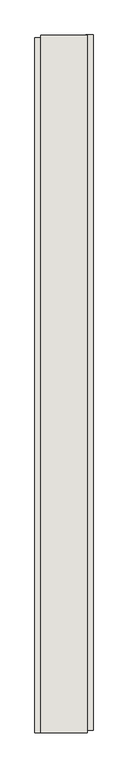
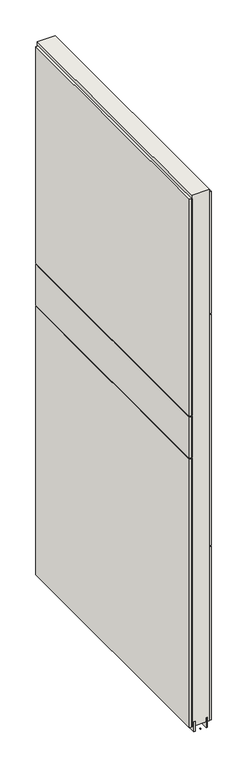
"""IFC4 building model written with IfcOpenShell, lengths in millimetres: wall geometry."""

from ifc_helpers import new_model, si_unit, frame, origin, place, context, project, spatial, polyline, outline, extrude, source, transform, mapped, element, save


def wall_bf27fd32(model_context):
    return source(origin(), model_context, "Body", "SweptSolid", [
        extrude(outline(polyline([(48696.282211, -55781.7684718), (48696.282211, -55784.3084718), (48693.742211, -55784.3084718), (48693.742211, -55781.7684718), (48696.282211, -55781.7684718)])), frame((0.0, 0.0, 4419.6), z_axis=(0.0, 0.0, 1.0), x_axis=(1.0, 0.0, 0.0)), (0.0, 0.0, 1.0), 2.54),
        extrude(outline(polyline([(48644.212211, -55784.77159), (48644.212211, -54569.571582), (48656.912211, -54569.571582), (48656.912211, -55784.77159), (48644.212211, -55784.77159)])), frame((0.0, 0.0, 5945.6000722), z_axis=(0.0, 0.0, 1.0), x_axis=(1.0, 0.0, 0.0)), (0.0, 0.0, 1.0), 1044.449905),
        extrude(outline(polyline([(48644.212211, -55784.77159), (48644.212211, -54569.571582), (48656.912211, -54569.571582), (48656.912211, -55784.77159), (48644.212211, -55784.77159)])), frame((0.0, 0.0, 5742.3999706), z_axis=(0.0, 0.0, 1.0), x_axis=(1.0, 0.0, 0.0)), (0.0, 0.0, 1.0), 199.2000512),
        extrude(outline(polyline([(48644.212211, -55784.77159), (48644.212211, -54569.571582), (48656.912211, -54569.571582), (48656.912211, -55784.77159), (48644.212211, -55784.77159)])), frame((0.0, 0.0, 4445.0), z_axis=(0.0, 0.0, 1.0), x_axis=(1.0, 0.0, 0.0)), (0.0, 0.0, 1.0), 1293.400004),
        extrude(outline(polyline([(48745.812211, -54564.6478428), (48745.812211, -55779.8478508), (48733.112211, -55779.8478508), (48733.112211, -54564.6478428), (48745.812211, -54564.6478428)])), frame((0.0, 0.0, 6402.8000722), z_axis=(0.0, 0.0, 1.0), x_axis=(1.0, 0.0, 0.0)), (0.0, 0.0, 1.0), 587.2498034),
        extrude(outline(polyline([(48745.812211, -54564.6478428), (48745.812211, -55779.8478508), (48733.112211, -55779.8478508), (48733.112211, -54564.6478428), (48745.812211, -54564.6478428)])), frame((0.0, 0.0, 5285.2000722), z_axis=(0.0, 0.0, 1.0), x_axis=(1.0, 0.0, 0.0)), (0.0, 0.0, 1.0), 1113.5999572),
        extrude(outline(polyline([(48745.812211, -54564.6478428), (48745.812211, -55779.8478508), (48733.112211, -55779.8478508), (48733.112211, -54564.6478428), (48745.812211, -54564.6478428)])), frame((0.0, 0.0, 4445.0), z_axis=(0.0, 0.0, 1.0), x_axis=(1.0, 0.0, 0.0)), (0.0, 0.0, 1.0), 836.200004),
        extrude(outline(polyline([(48669.9315652, -54565.115914), (48669.9315652, -55784.315914), (48664.849711, -55784.315914), (48664.849711, -54565.115914), (48669.9315652, -54565.115914)])), frame((0.0, 0.0, 4418.6602), z_axis=(0.0, 0.0, 1.0), x_axis=(1.0, 0.0, 0.0)), (0.0, 0.0, 1.0), 47.625),
        extrude(outline(polyline([(48669.9315652, -54565.115914), (48669.9315652, -55784.315914), (48664.849711, -55784.315914), (48664.849711, -54565.115914), (48669.9315652, -54565.115914)])), frame((0.0, 0.0, 4418.6602), z_axis=(0.0, 0.0, 1.0), x_axis=(1.0, 0.0, 0.0)), (0.0, 0.0, 1.0), 47.625),
        extrude(outline(polyline([(48720.0959556, -55784.315914), (48720.0959556, -54565.115914), (48725.174711, -54565.115914), (48725.174711, -55784.315914), (48720.0959556, -55784.315914)])), frame((0.0, 0.0, 4418.6602), z_axis=(0.0, 0.0, 1.0), x_axis=(1.0, 0.0, 0.0)), (0.0, 0.0, 1.0), 47.625),
        extrude(outline(polyline([(48720.0959556, -55784.315914), (48720.0959556, -54565.115914), (48725.174711, -54565.115914), (48725.174711, -55784.315914), (48720.0959556, -55784.315914)])), frame((0.0, 0.0, 4418.6602), z_axis=(0.0, 0.0, 1.0), x_axis=(1.0, 0.0, 0.0)), (0.0, 0.0, 1.0), 47.625),
        extrude(outline(polyline([(48654.3604254, -54565.115914), (48735.6391808, -54565.115914), (48735.6391808, -55784.315914), (48654.3604254, -55784.315914), (48654.3604254, -54565.115914)])), frame((0.0, 0.0, 4445.0), z_axis=(0.0, 0.0, 1.0), x_axis=(1.0, 0.0, 0.0)), (0.0, 0.0, 1.0), 2562.4536762),
    ])


if __name__ == "__main__":
    model = new_model("IFC4")
    model_context = context("Model", 3, world=origin())
    ifc_project = project(units=[si_unit("LENGTHUNIT", "METRE", prefix="MILLI")], contexts=[model_context])
    site = spatial("IfcSite", under=ifc_project)
    building = spatial("IfcBuilding", under=site)
    placement = place(None, origin())
    wall_shape = wall_bf27fd32(model_context)
    element("IfcWall", 1, at=placement, inside=building, context=model_context, shape_type="MappedRepresentation", body=[
        mapped(wall_shape, transform((0.0, 0.0, 0.0), x_axis=(1.0, 0.0, 0.0), y_axis=(0.0, 1.0, 0.0), z_axis=(0.0, 0.0, 1.0))),
    ])
    save(model, "model.ifc")
